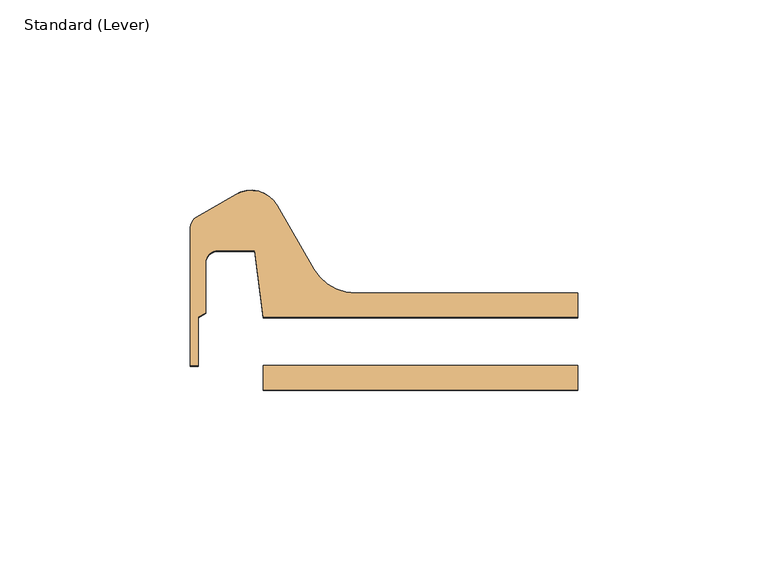
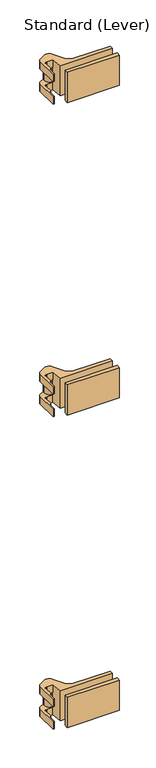
"""IFC4 building model written with IfcOpenShell, lengths in millimetres: door geometry, Standard (Lever)."""

from ifc_helpers import new_model, si_unit, frame, origin, place, context, project, spatial, polyline, circle_curve, outline, extrude, source, transform, mapped, element, save
from ifc_brep_helpers import plane_surface, cylinder_surface, revolved_surface, advanced_brep


def standard_lever_2ae37495(model_context):
    return source(origin(), model_context, "Body", "SolidModel", [
        advanced_brep(
        [(-440.3328125, 23.0182831, 1354.6666667), (-438.1500584, 5.55625, 1354.6666667), (-355.6, 5.55625, 1354.6666667), (-355.6, 11.90625, 1354.6666667), (-413.828963, 11.90625, 1354.6666667), (-424.8274856, 18.25625, 1354.6666667), (-434.4509234, 34.9245331, 1354.6666667), (-445.29375, 37.8298597, 1354.6666667), (-455.6125, 31.8723266, 1354.6666667), (-457.2, 29.122696, 1354.6666667), (-457.2, -7.1442169, 1354.6666667), (-455.19975, -7.1442169, 1354.6666667), (-455.19975, 5.5557831, 1354.6666667), (-453.1995, 6.710628, 1354.6666667), (-453.1995, 19.8432831, 1354.6666667), (-450.0245, 23.0182831, 1354.6666667), (-440.3328125, 23.0182831, 1341.9666667), (-450.0245, 23.0182831, 1341.9666667), (-453.1995, 19.8432831, 1341.9666667), (-453.1995, 6.710628, 1341.9666667), (-455.19975, 5.5557831, 1341.9666667), (-455.19975, -7.1442169, 1341.9666667), (-457.2, -7.1442169, 1341.9666667), (-457.2, 29.122696, 1341.9666667), (-455.6125, 31.8723266, 1341.9666667), (-445.29375, 37.8298597, 1341.9666667), (-434.4509234, 34.9245331, 1341.9666667), (-440.3404743, 23.0795774, 1340.3791667), (-440.3404743, 23.0795774, 1318.1541667), (-440.3404743, 23.0795774, 1316.5666667), (-440.3328125, 23.0182831, 1303.8666667), (-438.1500584, 5.55625, 1303.8666667), (-355.6, 5.55625, 1303.8666667), (-355.6, 11.90625, 1303.8666667), (-413.828963, 11.90625, 1303.8666667), (-413.828963, 11.90625, 1316.5666667), (-413.828963, 11.90625, 1341.9666667), (-424.8274856, 18.25625, 1341.9666667), (-424.8274856, 18.25625, 1316.5666667), (-424.8274856, 18.25625, 1303.8666667), (-434.4509234, 34.9245331, 1303.8666667), (-434.4509234, 34.9245331, 1316.5666667), (-434.4509234, 34.9245331, 1318.1541667), (-434.4509234, 34.9245331, 1340.3791667), (-433.3875, 30.9557831, 1340.3791667), (-433.3875, 30.9557831, 1318.1541667), (-445.29375, 37.8298597, 1316.5666667), (-455.6125, 31.8723266, 1316.5666667), (-457.2, 29.122696, 1316.5666667), (-457.2, -7.1442169, 1316.5666667), (-455.19975, -7.1442169, 1316.5666667), (-455.19975, 5.5557831, 1316.5666667), (-453.1995, 6.710628, 1316.5666667), (-453.1995, 19.8432831, 1316.5666667), (-450.0245, 23.0182831, 1316.5666667), (-450.0245, 23.0182831, 1303.8666667), (-453.1995, 19.8432831, 1303.8666667), (-453.1995, 6.710628, 1303.8666667), (-455.19975, 5.5557831, 1303.8666667), (-455.19975, -7.1442169, 1303.8666667), (-457.2, -7.1442169, 1303.8666667), (-457.2, 29.122696, 1303.8666667), (-455.6125, 31.8723266, 1303.8666667), (-445.29375, 37.8298597, 1303.8666667), (-449.2625, 30.9557831, 1340.3791667), (-444.5, 30.9557831, 1340.3791667), (-438.15, 30.9557831, 1340.3791667), (-449.2625, 30.9557831, 1318.1541667), (-444.5, 30.9557831, 1318.1541667), (-438.15, 30.9557831, 1318.1541667)],
        [
            (0, 1),
            (1, 2),
            (2, 3),
            (3, 4),
            (4, 5, circle_curve(frame((-413.828963, 24.60625, 1354.6666667), z_axis=(0.0, 0.0, -1.0), x_axis=(0.0, -1.0, 0.0)), 12.7)),
            (5, 6),
            (6, 7, circle_curve(frame((-441.325, 30.9557831, 1354.6666667), z_axis=(0.0, 0.0, 1.0), x_axis=(0.0, -1.0, 0.0)), 7.9375)),
            (7, 8),
            (8, 9, circle_curve(frame((-454.025, 29.122696, 1354.6666667), z_axis=(0.0, 0.0, 1.0), x_axis=(-0.5000000000000575, 0.8660254037844055, 0.0)), 3.175)),
            (9, 10),
            (10, 11),
            (11, 12),
            (12, 13),
            (13, 14),
            (14, 15, circle_curve(frame((-450.0245, 19.8432831, 1354.6666667), z_axis=(0.0, 0.0, -1.0), x_axis=(-1.0, 0.0, 0.0)), 3.175)),
            (15, 0),
            (16, 17),
            (17, 18, circle_curve(frame((-450.0245, 19.8432831, 1341.9666667), z_axis=(0.0, 0.0, 1.0), x_axis=(-1.0, 0.0, 0.0)), 3.175)),
            (18, 19),
            (19, 20),
            (20, 21),
            (21, 22),
            (22, 23),
            (23, 24, circle_curve(frame((-454.025, 29.122696, 1341.9666667), z_axis=(0.0, 0.0, -1.0), x_axis=(-0.5000000000000575, 0.8660254037844055, 0.0)), 3.175)),
            (24, 25),
            (25, 26, circle_curve(frame((-441.325, 30.9557831, 1341.9666667), z_axis=(0.0, 0.0, -1.0), x_axis=(0.0, -1.0, 0.0)), 7.9375)),
            (26, 16, circle_curve(frame((-441.325, 30.9557831, 1341.9666667), z_axis=(0.0, 0.0, -1.0), x_axis=(0.0, -1.0, 0.0)), 7.9375)),
            (7, 25),
            (24, 8),
            (23, 9),
            (22, 10),
            (21, 11),
            (20, 12),
            (19, 13),
            (18, 14),
            (17, 15),
            (16, 0),
            (16, 27),
            (27, 28),
            (28, 29),
            (29, 30),
            (30, 31),
            (31, 1),
            (31, 32),
            (32, 2),
            (32, 33),
            (33, 3),
            (33, 34),
            (34, 35),
            (35, 36),
            (36, 4),
            (36, 37, circle_curve(frame((-413.828963, 24.60625, 1341.9666667), z_axis=(0.0, 0.0, -1.0), x_axis=(0.0, -1.0, 0.0)), 12.7)),
            (37, 5),
            (37, 38),
            (38, 39),
            (39, 40),
            (40, 41),
            (41, 42),
            (42, 43),
            (43, 26),
            (26, 6),
            (35, 38, circle_curve(frame((-413.828963, 24.60625, 1316.5666667), z_axis=(0.0, 0.0, -1.0), x_axis=(0.0, -1.0, 0.0)), 12.7)),
            (43, 44, circle_curve(frame((-441.325, 30.9557831, 1340.3791667), z_axis=(0.0, 0.0, -1.0), x_axis=(0.0, -1.0, 0.0)), 7.9375)),
            (44, 27, circle_curve(frame((-441.325, 30.9557831, 1340.3791667), z_axis=(0.0, 0.0, -1.0), x_axis=(0.0, -1.0, 0.0)), 7.9375)),
            (41, 29, circle_curve(frame((-441.325, 30.9557831, 1316.5666667), z_axis=(0.0, 0.0, -1.0), x_axis=(0.0, -1.0, 0.0)), 7.9375)),
            (28, 45, circle_curve(frame((-441.325, 30.9557831, 1318.1541667), z_axis=(0.0, 0.0, 1.0), x_axis=(0.0, -1.0, 0.0)), 7.9375)),
            (45, 42, circle_curve(frame((-441.325, 30.9557831, 1318.1541667), z_axis=(0.0, 0.0, 1.0), x_axis=(0.0, -1.0, 0.0)), 7.9375)),
            (41, 46, circle_curve(frame((-441.325, 30.9557831, 1316.5666667), z_axis=(0.0, 0.0, 1.0), x_axis=(0.0, -1.0, 0.0)), 7.9375)),
            (46, 47),
            (47, 48, circle_curve(frame((-454.025, 29.122696, 1316.5666667), z_axis=(0.0, 0.0, 1.0), x_axis=(-0.5000000000000575, 0.8660254037844055, 0.0)), 3.175)),
            (48, 49),
            (49, 50),
            (50, 51),
            (51, 52),
            (52, 53),
            (53, 54, circle_curve(frame((-450.0245, 19.8432831, 1316.5666667), z_axis=(0.0, 0.0, -1.0), x_axis=(-1.0, 0.0, 0.0)), 3.175)),
            (54, 29),
            (30, 55),
            (55, 56, circle_curve(frame((-450.0245, 19.8432831, 1303.8666667), z_axis=(0.0, 0.0, 1.0), x_axis=(-1.0, 0.0, 0.0)), 3.175)),
            (56, 57),
            (57, 58),
            (58, 59),
            (59, 60),
            (60, 61),
            (61, 62, circle_curve(frame((-454.025, 29.122696, 1303.8666667), z_axis=(0.0, 0.0, -1.0), x_axis=(-0.5000000000000575, 0.8660254037844055, 0.0)), 3.175)),
            (62, 63),
            (63, 40, circle_curve(frame((-441.325, 30.9557831, 1303.8666667), z_axis=(0.0, 0.0, -1.0), x_axis=(0.0, -1.0, 0.0)), 7.9375)),
            (39, 34, circle_curve(frame((-413.828963, 24.60625, 1303.8666667), z_axis=(0.0, 0.0, 1.0), x_axis=(0.0, -1.0, 0.0)), 12.7)),
            (63, 46),
            (62, 47),
            (61, 48),
            (60, 49),
            (59, 50),
            (58, 51),
            (57, 52),
            (56, 53),
            (55, 54),
            (64, 27, circle_curve(frame((-441.325, 30.9557831, 1340.3791667), z_axis=(0.0, 0.0, 1.0), x_axis=(1.0, 0.0, 0.0)), 7.9375)),
            (43, 64, circle_curve(frame((-441.325, 30.9557831, 1340.3791667), z_axis=(0.0, 0.0, 1.0), x_axis=(1.0, 0.0, 0.0)), 7.9375)),
            (65, 66, circle_curve(frame((-441.325, 30.9557831, 1340.3791667), z_axis=(0.0, 0.0, -1.0), x_axis=(1.0, 0.0, 0.0)), 3.175)),
            (66, 65, circle_curve(frame((-441.325, 30.9557831, 1340.3791667), z_axis=(0.0, 0.0, -1.0), x_axis=(1.0, 0.0, 0.0)), 3.175)),
            (28, 67, circle_curve(frame((-441.325, 30.9557831, 1318.1541667), z_axis=(0.0, 0.0, -1.0), x_axis=(1.0, 0.0, 0.0)), 7.9375)),
            (67, 42, circle_curve(frame((-441.325, 30.9557831, 1318.1541667), z_axis=(0.0, 0.0, -1.0), x_axis=(1.0, 0.0, 0.0)), 7.9375)),
            (68, 69, circle_curve(frame((-441.325, 30.9557831, 1318.1541667), z_axis=(0.0, 0.0, 1.0), x_axis=(1.0, 0.0, 0.0)), 3.175)),
            (69, 68, circle_curve(frame((-441.325, 30.9557831, 1318.1541667), z_axis=(0.0, 0.0, 1.0), x_axis=(1.0, 0.0, 0.0)), 3.175)),
            (65, 68),
            (69, 66),
            (64, 67),
        ],
        [
            plane_surface(frame((-440.3328125, 23.0182831, 1354.6666667), z_axis=(0.0, 0.0, 1.0), x_axis=(0.12403473458190235, -0.9922778767145809, 0.0))),
            plane_surface(frame((-440.3328125, 23.0182831, 1341.9666667), z_axis=(0.0, 0.0, -1.0), x_axis=(-0.12403473458190235, 0.9922778767145809, 0.0))),
            plane_surface(frame((-445.29375, 37.8298597, 1354.6666667), z_axis=(-0.5000000000001321, 0.8660254037843624, 0.0), x_axis=(0.0, 0.0, -1.0))),
            cylinder_surface(frame((-454.025, 29.122696, 1341.9666667), z_axis=(0.0, 0.0, 1.0), x_axis=(-0.5000000000000575, 0.8660254037844055, 0.0)), 3.175),
            plane_surface(frame((-457.2, 29.122696, 1354.6666667), z_axis=(-1.0, 0.0, 0.0), x_axis=(0.0, 0.0, -1.0))),
            plane_surface(frame((-457.2, -7.1442169, 1354.6666667), z_axis=(0.0, -1.0, 0.0), x_axis=(0.0, 0.0, -1.0))),
            plane_surface(frame((-455.19975, -7.1442169, 1354.6666667), z_axis=(1.0, 0.0, 0.0), x_axis=(0.0, 0.0, -1.0))),
            plane_surface(frame((-455.19975, 5.5557831, 1354.6666667), z_axis=(0.4999999999997088, -0.8660254037846068, 0.0), x_axis=(0.0, 0.0, -1.0))),
            plane_surface(frame((-453.1995, 6.710628, 1354.6666667), z_axis=(1.0, 0.0, 0.0), x_axis=(0.0, 0.0, -1.0))),
            revolved_surface(polyline([(-453.1995, 19.8432831, 1341.9666667), (-453.1995, 19.8432831, 1354.6666667)]), (-450.0245, 19.8432831, 1341.9666667), (0.0, 0.0, -1.0)),
            plane_surface(frame((-450.0245, 23.0182831, 1354.6666667), z_axis=(0.0, -1.0, 0.0), x_axis=(0.0, 0.0, -1.0))),
            plane_surface(frame((-440.3328125, 23.0182831, 1354.6666667), z_axis=(-0.9922778767145809, -0.12403473458190235, 0.0), x_axis=(0.0, 0.0, -1.0))),
            plane_surface(frame((-438.1500584, 5.55625, 1354.6666667), z_axis=(0.0, -1.0, 0.0), x_axis=(0.0, 0.0, -1.0))),
            plane_surface(frame((-355.6, 5.55625, 1354.6666667), z_axis=(1.0, 0.0, 0.0), x_axis=(0.0, 0.0, -1.0))),
            plane_surface(frame((-355.6, 11.90625, 1354.6666667), z_axis=(0.0, 1.0, 0.0), x_axis=(0.0, 0.0, -1.0))),
            revolved_surface(polyline([(-413.828963, 11.90625, 1341.9666667), (-413.828963, 11.90625, 1354.6666667)]), (-413.828963, 24.60625, 1341.9666667), (0.0, 0.0, -1.0)),
            plane_surface(frame((-424.8274856, 18.25625, 1354.6666667), z_axis=(0.8660254037845987, 0.49999999999972294, 0.0), x_axis=(0.0, 0.0, -1.0))),
            cylinder_surface(frame((-441.325, 30.9557831, 1341.9666667), z_axis=(0.0, 0.0, 1.0), x_axis=(0.0, -1.0, 0.0)), 7.9375),
            revolved_surface(polyline([(-413.828963, 11.90625, 1316.5666667), (-413.828963, 11.90625, 1341.9666667)]), (-413.828963, 24.60625, 1316.5666667), (0.0, 0.0, -1.0)),
            revolved_surface(polyline([(-441.325, 23.0182831, 1340.3791667), (-441.325, 23.0182831, 1341.9666667)]), (-441.325, 30.9557831, 1316.5666667), (0.0, 0.0, -1.0)),
            revolved_surface(polyline([(-441.325, 23.0182831, 1316.5666667), (-441.325, 23.0182831, 1318.1541667)]), (-441.325, 30.9557831, 1316.5666667), (0.0, 0.0, -1.0)),
            plane_surface(frame((-440.3404743, 23.0795774, 1316.5666667), z_axis=(0.0, 0.0, 1.0), x_axis=(0.1240347345819024, -0.9922778767145809, 0.0))),
            plane_surface(frame((-440.3404743, 23.0795774, 1303.8666667), z_axis=(0.0, 0.0, -1.0), x_axis=(-0.1240347345819024, 0.9922778767145809, 0.0))),
            cylinder_surface(frame((-441.325, 30.9557831, 1303.8666667), z_axis=(0.0, 0.0, 1.0), x_axis=(0.0, -1.0, 0.0)), 7.9375),
            plane_surface(frame((-445.29375, 37.8298597, 1316.5666667), z_axis=(-0.500000000000132, 0.8660254037843624, 0.0), x_axis=(0.0, 0.0, -1.0))),
            cylinder_surface(frame((-454.025, 29.122696, 1303.8666667), z_axis=(0.0, 0.0, 1.0), x_axis=(-0.5000000000000575, 0.8660254037844055, 0.0)), 3.175),
            plane_surface(frame((-457.2, 29.122696, 1316.5666667), z_axis=(-1.0, 0.0, 0.0), x_axis=(0.0, 0.0, -1.0))),
            plane_surface(frame((-457.2, -7.1442169, 1316.5666667), z_axis=(0.0, -1.0, 0.0), x_axis=(0.0, 0.0, -1.0))),
            plane_surface(frame((-455.19975, -7.1442169, 1316.5666667), z_axis=(1.0, 0.0, 0.0), x_axis=(0.0, 0.0, -1.0))),
            plane_surface(frame((-455.19975, 5.5557831, 1316.5666667), z_axis=(0.4999999999997088, -0.8660254037846068, 0.0), x_axis=(0.0, 0.0, -1.0))),
            plane_surface(frame((-453.1995, 6.710628, 1316.5666667), z_axis=(1.0, 0.0, 0.0), x_axis=(0.0, 0.0, -1.0))),
            revolved_surface(polyline([(-453.1995, 19.8432831, 1303.8666667), (-453.1995, 19.8432831, 1316.5666667)]), (-450.0245, 19.8432831, 1303.8666667), (0.0, 0.0, -1.0)),
            plane_surface(frame((-450.0245, 23.0182831, 1316.5666667), z_axis=(0.0, -1.0, 0.0), x_axis=(0.0, 0.0, -1.0))),
            revolved_surface(polyline([(-413.828963, 11.90625, 1303.8666667), (-413.828963, 11.90625, 1316.5666667)]), (-413.828963, 24.60625, 1303.8666667), (0.0, 0.0, -1.0)),
            plane_surface(frame((-438.15, 30.9557831, 1340.3791667), z_axis=(0.0, 0.0, 1.0), x_axis=(0.0, -1.0, 0.0))),
            plane_surface(frame((-438.15, 30.9557831, 1318.1541667), z_axis=(0.0, 0.0, -1.0), x_axis=(0.0, 1.0, 0.0))),
            revolved_surface(polyline([(-438.15, 30.9557831, 1318.1541667), (-438.15, 30.9557831, 1340.3791667)]), (-441.325, 30.9557831, 1318.1541667), (0.0, 0.0, -1.0)),
            cylinder_surface(frame((-441.325, 30.9557831, 1303.8666667), z_axis=(0.0, 0.0, 1.0), x_axis=(1.0, 0.0, 0.0)), 7.9375),
        ],
        [
            (0, [[1, 2, 3, 4, 5, 6, 7, 8, 9, 10, 11, 12, 13, 14, 15, 16]]),
            (1, [[17, 18, 19, 20, 21, 22, 23, 24, 25, 26, 27]]),
            (2, [[-8, 28, -25, 29]]),
            (3, [[-9, -29, -24, 30]]),
            (4, [[-10, -30, -23, 31]]),
            (5, [[-11, -31, -22, 32]]),
            (6, [[-12, -32, -21, 33]]),
            (7, [[-13, -33, -20, 34]]),
            (8, [[-14, -34, -19, 35]]),
            (9, [[-15, -35, -18, 36]]),
            (10, [[-16, -36, -17, 37]]),
            (11, [[-1, -37, 38, 39, 40, 41, 42, 43]]),
            (12, [[-2, -43, 44, 45]]),
            (13, [[-3, -45, 46, 47]]),
            (14, [[-4, -47, 48, 49, 50, 51]]),
            (15, [[-5, -51, 52, 53]]),
            (16, [[-6, -53, 54, 55, 56, 57, 58, 59, 60, 61]]),
            (17, [[-7, -61, -26, -28]]),
            (18, [[-50, 62, -54, -52]]),
            (19, [[-27, -60, 63, 64, -38]]),
            (20, [[65, -40, 66, 67, -58]]),
            (21, [[68, 69, 70, 71, 72, 73, 74, 75, 76, 77, -65]]),
            (22, [[78, 79, 80, 81, 82, 83, 84, 85, 86, 87, -56, 88, -48, -46, -44, -42]]),
            (23, [[-68, -57, -87, 89]]),
            (24, [[-69, -89, -86, 90]]),
            (25, [[-70, -90, -85, 91]]),
            (26, [[-71, -91, -84, 92]]),
            (27, [[-72, -92, -83, 93]]),
            (28, [[-73, -93, -82, 94]]),
            (29, [[-74, -94, -81, 95]]),
            (30, [[-75, -95, -80, 96]]),
            (31, [[-76, -96, -79, 97]]),
            (32, [[-77, -97, -78, -41]]),
            (33, [[-88, -55, -62, -49]]),
            (34, [[98, -64, -63, 99], [100, 101]]),
            (35, [[102, 103, -67, -66], [104, 105]]),
            (36, [[-100, 106, -105, 107]]),
            (36, [[-101, -107, -104, -106]]),
            (37, [[108, -102, -39, -98]]),
            (37, [[-108, -99, -59, -103]]),
        ],
    ),
        extrude(outline(polyline([(-355.6, -13.49375), (-438.15, -13.49375), (-438.15, -7.14375), (-355.6, -7.14375), (-355.6, -13.49375)])), frame((0.0, 0.0, 1303.8666667), z_axis=(0.0, 0.0, 1.0), x_axis=(1.0, 0.0, 0.0)), (0.0, 0.0, 1.0), 50.8),
        advanced_brep(
        [(-440.3328125, 23.0182831, 829.7333333), (-438.1500584, 5.55625, 829.7333333), (-355.6, 5.55625, 829.7333333), (-355.6, 11.90625, 829.7333333), (-413.828963, 11.90625, 829.7333333), (-424.8274856, 18.25625, 829.7333333), (-434.4509234, 34.9245331, 829.7333333), (-445.29375, 37.8298597, 829.7333333), (-455.6125, 31.8723266, 829.7333333), (-457.2, 29.122696, 829.7333333), (-457.2, -7.1442169, 829.7333333), (-455.19975, -7.1442169, 829.7333333), (-455.19975, 5.5557831, 829.7333333), (-453.1995, 6.710628, 829.7333333), (-453.1995, 19.8432831, 829.7333333), (-450.0245, 23.0182831, 829.7333333), (-440.3328125, 23.0182831, 817.0333333), (-450.0245, 23.0182831, 817.0333333), (-453.1995, 19.8432831, 817.0333333), (-453.1995, 6.710628, 817.0333333), (-455.19975, 5.5557831, 817.0333333), (-455.19975, -7.1442169, 817.0333333), (-457.2, -7.1442169, 817.0333333), (-457.2, 29.122696, 817.0333333), (-455.6125, 31.8723266, 817.0333333), (-445.29375, 37.8298597, 817.0333333), (-434.4509234, 34.9245331, 817.0333333), (-440.3404743, 23.0795774, 815.4458333), (-440.3404743, 23.0795774, 793.2208333), (-440.3404743, 23.0795774, 791.6333333), (-440.3328125, 23.0182831, 778.9333333), (-438.1500584, 5.55625, 778.9333333), (-355.6, 5.55625, 778.9333333), (-355.6, 11.90625, 778.9333333), (-413.828963, 11.90625, 778.9333333), (-413.828963, 11.90625, 791.6333333), (-413.828963, 11.90625, 817.0333333), (-424.8274856, 18.25625, 817.0333333), (-424.8274856, 18.25625, 791.6333333), (-424.8274856, 18.25625, 778.9333333), (-434.4509234, 34.9245331, 778.9333333), (-434.4509234, 34.9245331, 791.6333333), (-434.4509234, 34.9245331, 793.2208333), (-434.4509234, 34.9245331, 815.4458333), (-433.3875, 30.9557831, 815.4458333), (-433.3875, 30.9557831, 793.2208333), (-445.29375, 37.8298597, 791.6333333), (-455.6125, 31.8723266, 791.6333333), (-457.2, 29.122696, 791.6333333), (-457.2, -7.1442169, 791.6333333), (-455.19975, -7.1442169, 791.6333333), (-455.19975, 5.5557831, 791.6333333), (-453.1995, 6.710628, 791.6333333), (-453.1995, 19.8432831, 791.6333333), (-450.0245, 23.0182831, 791.6333333), (-450.0245, 23.0182831, 778.9333333), (-453.1995, 19.8432831, 778.9333333), (-453.1995, 6.710628, 778.9333333), (-455.19975, 5.5557831, 778.9333333), (-455.19975, -7.1442169, 778.9333333), (-457.2, -7.1442169, 778.9333333), (-457.2, 29.122696, 778.9333333), (-455.6125, 31.8723266, 778.9333333), (-445.29375, 37.8298597, 778.9333333), (-449.2625, 30.9557831, 815.4458333), (-444.5, 30.9557831, 815.4458333), (-438.15, 30.9557831, 815.4458333), (-449.2625, 30.9557831, 793.2208333), (-444.5, 30.9557831, 793.2208333), (-438.15, 30.9557831, 793.2208333)],
        [
            (0, 1),
            (1, 2),
            (2, 3),
            (3, 4),
            (4, 5, circle_curve(frame((-413.828963, 24.60625, 829.7333333), z_axis=(0.0, 0.0, -1.0), x_axis=(0.0, -1.0, 0.0)), 12.7)),
            (5, 6),
            (6, 7, circle_curve(frame((-441.325, 30.9557831, 829.7333333), z_axis=(0.0, 0.0, 1.0), x_axis=(0.0, -1.0, 0.0)), 7.9375)),
            (7, 8),
            (8, 9, circle_curve(frame((-454.025, 29.122696, 829.7333333), z_axis=(0.0, 0.0, 1.0), x_axis=(-0.5000000000000575, 0.8660254037844055, 0.0)), 3.175)),
            (9, 10),
            (10, 11),
            (11, 12),
            (12, 13),
            (13, 14),
            (14, 15, circle_curve(frame((-450.0245, 19.8432831, 829.7333333), z_axis=(0.0, 0.0, -1.0), x_axis=(-1.0, 0.0, 0.0)), 3.175)),
            (15, 0),
            (16, 17),
            (17, 18, circle_curve(frame((-450.0245, 19.8432831, 817.0333333), z_axis=(0.0, 0.0, 1.0), x_axis=(-1.0, 0.0, 0.0)), 3.175)),
            (18, 19),
            (19, 20),
            (20, 21),
            (21, 22),
            (22, 23),
            (23, 24, circle_curve(frame((-454.025, 29.122696, 817.0333333), z_axis=(0.0, 0.0, -1.0), x_axis=(-0.5000000000000575, 0.8660254037844055, 0.0)), 3.175)),
            (24, 25),
            (25, 26, circle_curve(frame((-441.325, 30.9557831, 817.0333333), z_axis=(0.0, 0.0, -1.0), x_axis=(0.0, -1.0, 0.0)), 7.9375)),
            (26, 16, circle_curve(frame((-441.325, 30.9557831, 817.0333333), z_axis=(0.0, 0.0, -1.0), x_axis=(0.0, -1.0, 0.0)), 7.9375)),
            (7, 25),
            (24, 8),
            (23, 9),
            (22, 10),
            (21, 11),
            (20, 12),
            (19, 13),
            (18, 14),
            (17, 15),
            (16, 0),
            (16, 27),
            (27, 28),
            (28, 29),
            (29, 30),
            (30, 31),
            (31, 1),
            (31, 32),
            (32, 2),
            (32, 33),
            (33, 3),
            (33, 34),
            (34, 35),
            (35, 36),
            (36, 4),
            (36, 37, circle_curve(frame((-413.828963, 24.60625, 817.0333333), z_axis=(0.0, 0.0, -1.0), x_axis=(0.0, -1.0, 0.0)), 12.7)),
            (37, 5),
            (37, 38),
            (38, 39),
            (39, 40),
            (40, 41),
            (41, 42),
            (42, 43),
            (43, 26),
            (26, 6),
            (35, 38, circle_curve(frame((-413.828963, 24.60625, 791.6333333), z_axis=(0.0, 0.0, -1.0), x_axis=(0.0, -1.0, 0.0)), 12.7)),
            (43, 44, circle_curve(frame((-441.325, 30.9557831, 815.4458333), z_axis=(0.0, 0.0, -1.0), x_axis=(0.0, -1.0, 0.0)), 7.9375)),
            (44, 27, circle_curve(frame((-441.325, 30.9557831, 815.4458333), z_axis=(0.0, 0.0, -1.0), x_axis=(0.0, -1.0, 0.0)), 7.9375)),
            (41, 29, circle_curve(frame((-441.325, 30.9557831, 791.6333333), z_axis=(0.0, 0.0, -1.0), x_axis=(0.0, -1.0, 0.0)), 7.9375)),
            (28, 45, circle_curve(frame((-441.325, 30.9557831, 793.2208333), z_axis=(0.0, 0.0, 1.0), x_axis=(0.0, -1.0, 0.0)), 7.9375)),
            (45, 42, circle_curve(frame((-441.325, 30.9557831, 793.2208333), z_axis=(0.0, 0.0, 1.0), x_axis=(0.0, -1.0, 0.0)), 7.9375)),
            (41, 46, circle_curve(frame((-441.325, 30.9557831, 791.6333333), z_axis=(0.0, 0.0, 1.0), x_axis=(0.0, -1.0, 0.0)), 7.9375)),
            (46, 47),
            (47, 48, circle_curve(frame((-454.025, 29.122696, 791.6333333), z_axis=(0.0, 0.0, 1.0), x_axis=(-0.5000000000000575, 0.8660254037844055, 0.0)), 3.175)),
            (48, 49),
            (49, 50),
            (50, 51),
            (51, 52),
            (52, 53),
            (53, 54, circle_curve(frame((-450.0245, 19.8432831, 791.6333333), z_axis=(0.0, 0.0, -1.0), x_axis=(-1.0, 0.0, 0.0)), 3.175)),
            (54, 29),
            (30, 55),
            (55, 56, circle_curve(frame((-450.0245, 19.8432831, 778.9333333), z_axis=(0.0, 0.0, 1.0), x_axis=(-1.0, 0.0, 0.0)), 3.175)),
            (56, 57),
            (57, 58),
            (58, 59),
            (59, 60),
            (60, 61),
            (61, 62, circle_curve(frame((-454.025, 29.122696, 778.9333333), z_axis=(0.0, 0.0, -1.0), x_axis=(-0.5000000000000575, 0.8660254037844055, 0.0)), 3.175)),
            (62, 63),
            (63, 40, circle_curve(frame((-441.325, 30.9557831, 778.9333333), z_axis=(0.0, 0.0, -1.0), x_axis=(0.0, -1.0, 0.0)), 7.9375)),
            (39, 34, circle_curve(frame((-413.828963, 24.60625, 778.9333333), z_axis=(0.0, 0.0, 1.0), x_axis=(0.0, -1.0, 0.0)), 12.7)),
            (63, 46),
            (62, 47),
            (61, 48),
            (60, 49),
            (59, 50),
            (58, 51),
            (57, 52),
            (56, 53),
            (55, 54),
            (64, 27, circle_curve(frame((-441.325, 30.9557831, 815.4458333), z_axis=(0.0, 0.0, 1.0), x_axis=(1.0, 0.0, 0.0)), 7.9375)),
            (43, 64, circle_curve(frame((-441.325, 30.9557831, 815.4458333), z_axis=(0.0, 0.0, 1.0), x_axis=(1.0, 0.0, 0.0)), 7.9375)),
            (65, 66, circle_curve(frame((-441.325, 30.9557831, 815.4458333), z_axis=(0.0, 0.0, -1.0), x_axis=(1.0, 0.0, 0.0)), 3.175)),
            (66, 65, circle_curve(frame((-441.325, 30.9557831, 815.4458333), z_axis=(0.0, 0.0, -1.0), x_axis=(1.0, 0.0, 0.0)), 3.175)),
            (28, 67, circle_curve(frame((-441.325, 30.9557831, 793.2208333), z_axis=(0.0, 0.0, -1.0), x_axis=(1.0, 0.0, 0.0)), 7.9375)),
            (67, 42, circle_curve(frame((-441.325, 30.9557831, 793.2208333), z_axis=(0.0, 0.0, -1.0), x_axis=(1.0, 0.0, 0.0)), 7.9375)),
            (68, 69, circle_curve(frame((-441.325, 30.9557831, 793.2208333), z_axis=(0.0, 0.0, 1.0), x_axis=(1.0, 0.0, 0.0)), 3.175)),
            (69, 68, circle_curve(frame((-441.325, 30.9557831, 793.2208333), z_axis=(0.0, 0.0, 1.0), x_axis=(1.0, 0.0, 0.0)), 3.175)),
            (65, 68),
            (69, 66),
            (64, 67),
        ],
        [
            plane_surface(frame((-440.3328125, 23.0182831, 829.7333333), z_axis=(0.0, 0.0, 1.0), x_axis=(0.12403473458190235, -0.9922778767145809, 0.0))),
            plane_surface(frame((-440.3328125, 23.0182831, 817.0333333), z_axis=(0.0, 0.0, -1.0), x_axis=(-0.12403473458190235, 0.9922778767145809, 0.0))),
            plane_surface(frame((-445.29375, 37.8298597, 829.7333333), z_axis=(-0.5000000000001321, 0.8660254037843624, 0.0), x_axis=(0.0, 0.0, -1.0))),
            cylinder_surface(frame((-454.025, 29.122696, 817.0333333), z_axis=(0.0, 0.0, 1.0), x_axis=(-0.5000000000000575, 0.8660254037844055, 0.0)), 3.175),
            plane_surface(frame((-457.2, 29.122696, 829.7333333), z_axis=(-1.0, 0.0, 0.0), x_axis=(0.0, 0.0, -1.0))),
            plane_surface(frame((-457.2, -7.1442169, 829.7333333), z_axis=(0.0, -1.0, 0.0), x_axis=(0.0, 0.0, -1.0))),
            plane_surface(frame((-455.19975, -7.1442169, 829.7333333), z_axis=(1.0, 0.0, 0.0), x_axis=(0.0, 0.0, -1.0))),
            plane_surface(frame((-455.19975, 5.5557831, 829.7333333), z_axis=(0.4999999999997088, -0.8660254037846068, 0.0), x_axis=(0.0, 0.0, -1.0))),
            plane_surface(frame((-453.1995, 6.710628, 829.7333333), z_axis=(1.0, 0.0, 0.0), x_axis=(0.0, 0.0, -1.0))),
            revolved_surface(polyline([(-453.1995, 19.8432831, 817.0333333), (-453.1995, 19.8432831, 829.7333333)]), (-450.0245, 19.8432831, 817.0333333), (0.0, 0.0, -1.0)),
            plane_surface(frame((-450.0245, 23.0182831, 829.7333333), z_axis=(0.0, -1.0, 0.0), x_axis=(0.0, 0.0, -1.0))),
            plane_surface(frame((-440.3328125, 23.0182831, 829.7333333), z_axis=(-0.9922778767145809, -0.12403473458190235, 0.0), x_axis=(0.0, 0.0, -1.0))),
            plane_surface(frame((-438.1500584, 5.55625, 829.7333333), z_axis=(0.0, -1.0, 0.0), x_axis=(0.0, 0.0, -1.0))),
            plane_surface(frame((-355.6, 5.55625, 829.7333333), z_axis=(1.0, 0.0, 0.0), x_axis=(0.0, 0.0, -1.0))),
            plane_surface(frame((-355.6, 11.90625, 829.7333333), z_axis=(0.0, 1.0, 0.0), x_axis=(0.0, 0.0, -1.0))),
            revolved_surface(polyline([(-413.828963, 11.90625, 817.0333333), (-413.828963, 11.90625, 829.7333333)]), (-413.828963, 24.60625, 817.0333333), (0.0, 0.0, -1.0)),
            plane_surface(frame((-424.8274856, 18.25625, 829.7333333), z_axis=(0.8660254037845987, 0.49999999999972294, 0.0), x_axis=(0.0, 0.0, -1.0))),
            cylinder_surface(frame((-441.325, 30.9557831, 817.0333333), z_axis=(0.0, 0.0, 1.0), x_axis=(0.0, -1.0, 0.0)), 7.9375),
            revolved_surface(polyline([(-413.828963, 11.90625, 791.6333333), (-413.828963, 11.90625, 817.0333333)]), (-413.828963, 24.60625, 791.6333333), (0.0, 0.0, -1.0)),
            revolved_surface(polyline([(-441.325, 23.0182831, 815.4458333), (-441.325, 23.0182831, 817.0333333)]), (-441.325, 30.9557831, 791.6333333), (0.0, 0.0, -1.0)),
            revolved_surface(polyline([(-441.325, 23.0182831, 791.6333333), (-441.325, 23.0182831, 793.2208333)]), (-441.325, 30.9557831, 791.6333333), (0.0, 0.0, -1.0)),
            plane_surface(frame((-440.3404743, 23.0795774, 791.6333333), z_axis=(0.0, 0.0, 1.0), x_axis=(0.1240347345819024, -0.9922778767145809, 0.0))),
            plane_surface(frame((-440.3404743, 23.0795774, 778.9333333), z_axis=(0.0, 0.0, -1.0), x_axis=(-0.1240347345819024, 0.9922778767145809, 0.0))),
            cylinder_surface(frame((-441.325, 30.9557831, 778.9333333), z_axis=(0.0, 0.0, 1.0), x_axis=(0.0, -1.0, 0.0)), 7.9375),
            plane_surface(frame((-445.29375, 37.8298597, 791.6333333), z_axis=(-0.500000000000132, 0.8660254037843624, 0.0), x_axis=(0.0, 0.0, -1.0))),
            cylinder_surface(frame((-454.025, 29.122696, 778.9333333), z_axis=(0.0, 0.0, 1.0), x_axis=(-0.5000000000000575, 0.8660254037844055, 0.0)), 3.175),
            plane_surface(frame((-457.2, 29.122696, 791.6333333), z_axis=(-1.0, 0.0, 0.0), x_axis=(0.0, 0.0, -1.0))),
            plane_surface(frame((-457.2, -7.1442169, 791.6333333), z_axis=(0.0, -1.0, 0.0), x_axis=(0.0, 0.0, -1.0))),
            plane_surface(frame((-455.19975, -7.1442169, 791.6333333), z_axis=(1.0, 0.0, 0.0), x_axis=(0.0, 0.0, -1.0))),
            plane_surface(frame((-455.19975, 5.5557831, 791.6333333), z_axis=(0.4999999999997088, -0.8660254037846068, 0.0), x_axis=(0.0, 0.0, -1.0))),
            plane_surface(frame((-453.1995, 6.710628, 791.6333333), z_axis=(1.0, 0.0, 0.0), x_axis=(0.0, 0.0, -1.0))),
            revolved_surface(polyline([(-453.1995, 19.8432831, 778.9333333), (-453.1995, 19.8432831, 791.6333333)]), (-450.0245, 19.8432831, 778.9333333), (0.0, 0.0, -1.0)),
            plane_surface(frame((-450.0245, 23.0182831, 791.6333333), z_axis=(0.0, -1.0, 0.0), x_axis=(0.0, 0.0, -1.0))),
            revolved_surface(polyline([(-413.828963, 11.90625, 778.9333333), (-413.828963, 11.90625, 791.6333333)]), (-413.828963, 24.60625, 778.9333333), (0.0, 0.0, -1.0)),
            plane_surface(frame((-438.15, 30.9557831, 815.4458333), z_axis=(0.0, 0.0, 1.0), x_axis=(0.0, -1.0, 0.0))),
            plane_surface(frame((-438.15, 30.9557831, 793.2208333), z_axis=(0.0, 0.0, -1.0), x_axis=(0.0, 1.0, 0.0))),
            revolved_surface(polyline([(-438.15, 30.9557831, 793.2208333), (-438.15, 30.9557831, 815.4458333)]), (-441.325, 30.9557831, 793.2208333), (0.0, 0.0, -1.0)),
            cylinder_surface(frame((-441.325, 30.9557831, 778.9333333), z_axis=(0.0, 0.0, 1.0), x_axis=(1.0, 0.0, 0.0)), 7.9375),
        ],
        [
            (0, [[1, 2, 3, 4, 5, 6, 7, 8, 9, 10, 11, 12, 13, 14, 15, 16]]),
            (1, [[17, 18, 19, 20, 21, 22, 23, 24, 25, 26, 27]]),
            (2, [[-8, 28, -25, 29]]),
            (3, [[-9, -29, -24, 30]]),
            (4, [[-10, -30, -23, 31]]),
            (5, [[-11, -31, -22, 32]]),
            (6, [[-12, -32, -21, 33]]),
            (7, [[-13, -33, -20, 34]]),
            (8, [[-14, -34, -19, 35]]),
            (9, [[-15, -35, -18, 36]]),
            (10, [[-16, -36, -17, 37]]),
            (11, [[-1, -37, 38, 39, 40, 41, 42, 43]]),
            (12, [[-2, -43, 44, 45]]),
            (13, [[-3, -45, 46, 47]]),
            (14, [[-4, -47, 48, 49, 50, 51]]),
            (15, [[-5, -51, 52, 53]]),
            (16, [[-6, -53, 54, 55, 56, 57, 58, 59, 60, 61]]),
            (17, [[-7, -61, -26, -28]]),
            (18, [[-50, 62, -54, -52]]),
            (19, [[-27, -60, 63, 64, -38]]),
            (20, [[65, -40, 66, 67, -58]]),
            (21, [[68, 69, 70, 71, 72, 73, 74, 75, 76, 77, -65]]),
            (22, [[78, 79, 80, 81, 82, 83, 84, 85, 86, 87, -56, 88, -48, -46, -44, -42]]),
            (23, [[-68, -57, -87, 89]]),
            (24, [[-69, -89, -86, 90]]),
            (25, [[-70, -90, -85, 91]]),
            (26, [[-71, -91, -84, 92]]),
            (27, [[-72, -92, -83, 93]]),
            (28, [[-73, -93, -82, 94]]),
            (29, [[-74, -94, -81, 95]]),
            (30, [[-75, -95, -80, 96]]),
            (31, [[-76, -96, -79, 97]]),
            (32, [[-77, -97, -78, -41]]),
            (33, [[-88, -55, -62, -49]]),
            (34, [[98, -64, -63, 99], [100, 101]]),
            (35, [[102, 103, -67, -66], [104, 105]]),
            (36, [[-100, 106, -105, 107]]),
            (36, [[-101, -107, -104, -106]]),
            (37, [[108, -102, -39, -98]]),
            (37, [[-108, -99, -59, -103]]),
        ],
    ),
        extrude(outline(polyline([(-355.6, -13.49375), (-438.15, -13.49375), (-438.15, -7.14375), (-355.6, -7.14375), (-355.6, -13.49375)])), frame((0.0, 0.0, 778.9333333), z_axis=(0.0, 0.0, 1.0), x_axis=(1.0, 0.0, 0.0)), (0.0, 0.0, 1.0), 50.8),
        advanced_brep(
        [(-440.3328125, 23.0182831, 1879.6), (-438.1500584, 5.55625, 1879.6), (-355.6, 5.55625, 1879.6), (-355.6, 11.90625, 1879.6), (-413.828963, 11.90625, 1879.6), (-424.8274856, 18.25625, 1879.6), (-434.4509234, 34.9245331, 1879.6), (-445.29375, 37.8298597, 1879.6), (-455.6125, 31.8723266, 1879.6), (-457.2, 29.122696, 1879.6), (-457.2, -7.1442169, 1879.6), (-455.19975, -7.1442169, 1879.6), (-455.19975, 5.5557831, 1879.6), (-453.1995, 6.710628, 1879.6), (-453.1995, 19.8432831, 1879.6), (-450.0245, 23.0182831, 1879.6), (-440.3328125, 23.0182831, 1866.9), (-450.0245, 23.0182831, 1866.9), (-453.1995, 19.8432831, 1866.9), (-453.1995, 6.710628, 1866.9), (-455.19975, 5.5557831, 1866.9), (-455.19975, -7.1442169, 1866.9), (-457.2, -7.1442169, 1866.9), (-457.2, 29.122696, 1866.9), (-455.6125, 31.8723266, 1866.9), (-445.29375, 37.8298597, 1866.9), (-434.4509234, 34.9245331, 1866.9), (-440.3404743, 23.0795774, 1865.3125), (-440.3404743, 23.0795774, 1843.0875), (-440.3404743, 23.0795774, 1841.5), (-440.3328125, 23.0182831, 1828.8), (-438.1500584, 5.55625, 1828.8), (-355.6, 5.55625, 1828.8), (-355.6, 11.90625, 1828.8), (-413.828963, 11.90625, 1828.8), (-413.828963, 11.90625, 1841.5), (-413.828963, 11.90625, 1866.9), (-424.8274856, 18.25625, 1866.9), (-424.8274856, 18.25625, 1841.5), (-424.8274856, 18.25625, 1828.8), (-434.4509234, 34.9245331, 1828.8), (-434.4509234, 34.9245331, 1841.5), (-434.4509234, 34.9245331, 1843.0875), (-434.4509234, 34.9245331, 1865.3125), (-433.3875, 30.9557831, 1865.3125), (-433.3875, 30.9557831, 1843.0875), (-445.29375, 37.8298597, 1841.5), (-455.6125, 31.8723266, 1841.5), (-457.2, 29.122696, 1841.5), (-457.2, -7.1442169, 1841.5), (-455.19975, -7.1442169, 1841.5), (-455.19975, 5.5557831, 1841.5), (-453.1995, 6.710628, 1841.5), (-453.1995, 19.8432831, 1841.5), (-450.0245, 23.0182831, 1841.5), (-450.0245, 23.0182831, 1828.8), (-453.1995, 19.8432831, 1828.8), (-453.1995, 6.710628, 1828.8), (-455.19975, 5.5557831, 1828.8), (-455.19975, -7.1442169, 1828.8), (-457.2, -7.1442169, 1828.8), (-457.2, 29.122696, 1828.8), (-455.6125, 31.8723266, 1828.8), (-445.29375, 37.8298597, 1828.8), (-449.2625, 30.9557831, 1865.3125), (-444.5, 30.9557831, 1865.3125), (-438.15, 30.9557831, 1865.3125), (-449.2625, 30.9557831, 1843.0875), (-444.5, 30.9557831, 1843.0875), (-438.15, 30.9557831, 1843.0875)],
        [
            (0, 1),
            (1, 2),
            (2, 3),
            (3, 4),
            (4, 5, circle_curve(frame((-413.828963, 24.60625, 1879.6), z_axis=(0.0, 0.0, -1.0), x_axis=(0.0, -1.0, 0.0)), 12.7)),
            (5, 6),
            (6, 7, circle_curve(frame((-441.325, 30.9557831, 1879.6), z_axis=(0.0, 0.0, 1.0), x_axis=(0.0, -1.0, 0.0)), 7.9375)),
            (7, 8),
            (8, 9, circle_curve(frame((-454.025, 29.122696, 1879.6), z_axis=(0.0, 0.0, 1.0), x_axis=(-0.5000000000000575, 0.8660254037844055, 0.0)), 3.175)),
            (9, 10),
            (10, 11),
            (11, 12),
            (12, 13),
            (13, 14),
            (14, 15, circle_curve(frame((-450.0245, 19.8432831, 1879.6), z_axis=(0.0, 0.0, -1.0), x_axis=(-1.0, 0.0, 0.0)), 3.175)),
            (15, 0),
            (16, 17),
            (17, 18, circle_curve(frame((-450.0245, 19.8432831, 1866.9), z_axis=(0.0, 0.0, 1.0), x_axis=(-1.0, 0.0, 0.0)), 3.175)),
            (18, 19),
            (19, 20),
            (20, 21),
            (21, 22),
            (22, 23),
            (23, 24, circle_curve(frame((-454.025, 29.122696, 1866.9), z_axis=(0.0, 0.0, -1.0), x_axis=(-0.5000000000000575, 0.8660254037844055, 0.0)), 3.175)),
            (24, 25),
            (25, 26, circle_curve(frame((-441.325, 30.9557831, 1866.9), z_axis=(0.0, 0.0, -1.0), x_axis=(0.0, -1.0, 0.0)), 7.9375)),
            (26, 16, circle_curve(frame((-441.325, 30.9557831, 1866.9), z_axis=(0.0, 0.0, -1.0), x_axis=(0.0, -1.0, 0.0)), 7.9375)),
            (7, 25),
            (24, 8),
            (23, 9),
            (22, 10),
            (21, 11),
            (20, 12),
            (19, 13),
            (18, 14),
            (17, 15),
            (16, 0),
            (16, 27),
            (27, 28),
            (28, 29),
            (29, 30),
            (30, 31),
            (31, 1),
            (31, 32),
            (32, 2),
            (32, 33),
            (33, 3),
            (33, 34),
            (34, 35),
            (35, 36),
            (36, 4),
            (36, 37, circle_curve(frame((-413.828963, 24.60625, 1866.9), z_axis=(0.0, 0.0, -1.0), x_axis=(0.0, -1.0, 0.0)), 12.7)),
            (37, 5),
            (37, 38),
            (38, 39),
            (39, 40),
            (40, 41),
            (41, 42),
            (42, 43),
            (43, 26),
            (26, 6),
            (35, 38, circle_curve(frame((-413.828963, 24.60625, 1841.5), z_axis=(0.0, 0.0, -1.0), x_axis=(0.0, -1.0, 0.0)), 12.7)),
            (43, 44, circle_curve(frame((-441.325, 30.9557831, 1865.3125), z_axis=(0.0, 0.0, -1.0), x_axis=(0.0, -1.0, 0.0)), 7.9375)),
            (44, 27, circle_curve(frame((-441.325, 30.9557831, 1865.3125), z_axis=(0.0, 0.0, -1.0), x_axis=(0.0, -1.0, 0.0)), 7.9375)),
            (41, 29, circle_curve(frame((-441.325, 30.9557831, 1841.5), z_axis=(0.0, 0.0, -1.0), x_axis=(0.0, -1.0, 0.0)), 7.9375)),
            (28, 45, circle_curve(frame((-441.325, 30.9557831, 1843.0875), z_axis=(0.0, 0.0, 1.0), x_axis=(0.0, -1.0, 0.0)), 7.9375)),
            (45, 42, circle_curve(frame((-441.325, 30.9557831, 1843.0875), z_axis=(0.0, 0.0, 1.0), x_axis=(0.0, -1.0, 0.0)), 7.9375)),
            (41, 46, circle_curve(frame((-441.325, 30.9557831, 1841.5), z_axis=(0.0, 0.0, 1.0), x_axis=(0.0, -1.0, 0.0)), 7.9375)),
            (46, 47),
            (47, 48, circle_curve(frame((-454.025, 29.122696, 1841.5), z_axis=(0.0, 0.0, 1.0), x_axis=(-0.5000000000000575, 0.8660254037844055, 0.0)), 3.175)),
            (48, 49),
            (49, 50),
            (50, 51),
            (51, 52),
            (52, 53),
            (53, 54, circle_curve(frame((-450.0245, 19.8432831, 1841.5), z_axis=(0.0, 0.0, -1.0), x_axis=(-1.0, 0.0, 0.0)), 3.175)),
            (54, 29),
            (30, 55),
            (55, 56, circle_curve(frame((-450.0245, 19.8432831, 1828.8), z_axis=(0.0, 0.0, 1.0), x_axis=(-1.0, 0.0, 0.0)), 3.175)),
            (56, 57),
            (57, 58),
            (58, 59),
            (59, 60),
            (60, 61),
            (61, 62, circle_curve(frame((-454.025, 29.122696, 1828.8), z_axis=(0.0, 0.0, -1.0), x_axis=(-0.5000000000000575, 0.8660254037844055, 0.0)), 3.175)),
            (62, 63),
            (63, 40, circle_curve(frame((-441.325, 30.9557831, 1828.8), z_axis=(0.0, 0.0, -1.0), x_axis=(0.0, -1.0, 0.0)), 7.9375)),
            (39, 34, circle_curve(frame((-413.828963, 24.60625, 1828.8), z_axis=(0.0, 0.0, 1.0), x_axis=(0.0, -1.0, 0.0)), 12.7)),
            (63, 46),
            (62, 47),
            (61, 48),
            (60, 49),
            (59, 50),
            (58, 51),
            (57, 52),
            (56, 53),
            (55, 54),
            (64, 27, circle_curve(frame((-441.325, 30.9557831, 1865.3125), z_axis=(0.0, 0.0, 1.0), x_axis=(1.0, 0.0, 0.0)), 7.9375)),
            (43, 64, circle_curve(frame((-441.325, 30.9557831, 1865.3125), z_axis=(0.0, 0.0, 1.0), x_axis=(1.0, 0.0, 0.0)), 7.9375)),
            (65, 66, circle_curve(frame((-441.325, 30.9557831, 1865.3125), z_axis=(0.0, 0.0, -1.0), x_axis=(1.0, 0.0, 0.0)), 3.175)),
            (66, 65, circle_curve(frame((-441.325, 30.9557831, 1865.3125), z_axis=(0.0, 0.0, -1.0), x_axis=(1.0, 0.0, 0.0)), 3.175)),
            (28, 67, circle_curve(frame((-441.325, 30.9557831, 1843.0875), z_axis=(0.0, 0.0, -1.0), x_axis=(1.0, 0.0, 0.0)), 7.9375)),
            (67, 42, circle_curve(frame((-441.325, 30.9557831, 1843.0875), z_axis=(0.0, 0.0, -1.0), x_axis=(1.0, 0.0, 0.0)), 7.9375)),
            (68, 69, circle_curve(frame((-441.325, 30.9557831, 1843.0875), z_axis=(0.0, 0.0, 1.0), x_axis=(1.0, 0.0, 0.0)), 3.175)),
            (69, 68, circle_curve(frame((-441.325, 30.9557831, 1843.0875), z_axis=(0.0, 0.0, 1.0), x_axis=(1.0, 0.0, 0.0)), 3.175)),
            (65, 68),
            (69, 66),
            (64, 67),
        ],
        [
            plane_surface(frame((-440.3328125, 23.0182831, 1879.6), z_axis=(0.0, 0.0, 1.0), x_axis=(0.12403473458190235, -0.9922778767145809, 0.0))),
            plane_surface(frame((-440.3328125, 23.0182831, 1866.9), z_axis=(0.0, 0.0, -1.0), x_axis=(-0.12403473458190235, 0.9922778767145809, 0.0))),
            plane_surface(frame((-445.29375, 37.8298597, 1879.6), z_axis=(-0.5000000000001321, 0.8660254037843624, 0.0), x_axis=(0.0, 0.0, -1.0))),
            cylinder_surface(frame((-454.025, 29.122696, 1866.9), z_axis=(0.0, 0.0, 1.0), x_axis=(-0.5000000000000575, 0.8660254037844055, 0.0)), 3.175),
            plane_surface(frame((-457.2, 29.122696, 1879.6), z_axis=(-1.0, 0.0, 0.0), x_axis=(0.0, 0.0, -1.0))),
            plane_surface(frame((-457.2, -7.1442169, 1879.6), z_axis=(0.0, -1.0, 0.0), x_axis=(0.0, 0.0, -1.0))),
            plane_surface(frame((-455.19975, -7.1442169, 1879.6), z_axis=(1.0, 0.0, 0.0), x_axis=(0.0, 0.0, -1.0))),
            plane_surface(frame((-455.19975, 5.5557831, 1879.6), z_axis=(0.4999999999997088, -0.8660254037846068, 0.0), x_axis=(0.0, 0.0, -1.0))),
            plane_surface(frame((-453.1995, 6.710628, 1879.6), z_axis=(1.0, 0.0, 0.0), x_axis=(0.0, 0.0, -1.0))),
            revolved_surface(polyline([(-453.1995, 19.8432831, 1866.9), (-453.1995, 19.8432831, 1879.6)]), (-450.0245, 19.8432831, 1866.9), (0.0, 0.0, -1.0)),
            plane_surface(frame((-450.0245, 23.0182831, 1879.6), z_axis=(0.0, -1.0, 0.0), x_axis=(0.0, 0.0, -1.0))),
            plane_surface(frame((-440.3328125, 23.0182831, 1879.6), z_axis=(-0.9922778767145809, -0.12403473458190235, 0.0), x_axis=(0.0, 0.0, -1.0))),
            plane_surface(frame((-438.1500584, 5.55625, 1879.6), z_axis=(0.0, -1.0, 0.0), x_axis=(0.0, 0.0, -1.0))),
            plane_surface(frame((-355.6, 5.55625, 1879.6), z_axis=(1.0, 0.0, 0.0), x_axis=(0.0, 0.0, -1.0))),
            plane_surface(frame((-355.6, 11.90625, 1879.6), z_axis=(0.0, 1.0, 0.0), x_axis=(0.0, 0.0, -1.0))),
            revolved_surface(polyline([(-413.828963, 11.90625, 1866.9), (-413.828963, 11.90625, 1879.6)]), (-413.828963, 24.60625, 1866.9), (0.0, 0.0, -1.0)),
            plane_surface(frame((-424.8274856, 18.25625, 1879.6), z_axis=(0.8660254037845987, 0.49999999999972294, 0.0), x_axis=(0.0, 0.0, -1.0))),
            cylinder_surface(frame((-441.325, 30.9557831, 1866.9), z_axis=(0.0, 0.0, 1.0), x_axis=(0.0, -1.0, 0.0)), 7.9375),
            revolved_surface(polyline([(-413.828963, 11.90625, 1841.5), (-413.828963, 11.90625, 1866.9)]), (-413.828963, 24.60625, 1841.5), (0.0, 0.0, -1.0)),
            revolved_surface(polyline([(-441.325, 23.0182831, 1865.3125), (-441.325, 23.0182831, 1866.9)]), (-441.325, 30.9557831, 1841.5), (0.0, 0.0, -1.0)),
            revolved_surface(polyline([(-441.325, 23.0182831, 1841.5), (-441.325, 23.0182831, 1843.0875)]), (-441.325, 30.9557831, 1841.5), (0.0, 0.0, -1.0)),
            plane_surface(frame((-440.3404743, 23.0795774, 1841.5), z_axis=(0.0, 0.0, 1.0), x_axis=(0.1240347345819024, -0.9922778767145809, 0.0))),
            plane_surface(frame((-440.3404743, 23.0795774, 1828.8), z_axis=(0.0, 0.0, -1.0), x_axis=(-0.1240347345819024, 0.9922778767145809, 0.0))),
            cylinder_surface(frame((-441.325, 30.9557831, 1828.8), z_axis=(0.0, 0.0, 1.0), x_axis=(0.0, -1.0, 0.0)), 7.9375),
            plane_surface(frame((-445.29375, 37.8298597, 1841.5), z_axis=(-0.500000000000132, 0.8660254037843624, 0.0), x_axis=(0.0, 0.0, -1.0))),
            cylinder_surface(frame((-454.025, 29.122696, 1828.8), z_axis=(0.0, 0.0, 1.0), x_axis=(-0.5000000000000575, 0.8660254037844055, 0.0)), 3.175),
            plane_surface(frame((-457.2, 29.122696, 1841.5), z_axis=(-1.0, 0.0, 0.0), x_axis=(0.0, 0.0, -1.0))),
            plane_surface(frame((-457.2, -7.1442169, 1841.5), z_axis=(0.0, -1.0, 0.0), x_axis=(0.0, 0.0, -1.0))),
            plane_surface(frame((-455.19975, -7.1442169, 1841.5), z_axis=(1.0, 0.0, 0.0), x_axis=(0.0, 0.0, -1.0))),
            plane_surface(frame((-455.19975, 5.5557831, 1841.5), z_axis=(0.4999999999997088, -0.8660254037846068, 0.0), x_axis=(0.0, 0.0, -1.0))),
            plane_surface(frame((-453.1995, 6.710628, 1841.5), z_axis=(1.0, 0.0, 0.0), x_axis=(0.0, 0.0, -1.0))),
            revolved_surface(polyline([(-453.1995, 19.8432831, 1828.8), (-453.1995, 19.8432831, 1841.5)]), (-450.0245, 19.8432831, 1828.8), (0.0, 0.0, -1.0)),
            plane_surface(frame((-450.0245, 23.0182831, 1841.5), z_axis=(0.0, -1.0, 0.0), x_axis=(0.0, 0.0, -1.0))),
            revolved_surface(polyline([(-413.828963, 11.90625, 1828.8), (-413.828963, 11.90625, 1841.5)]), (-413.828963, 24.60625, 1828.8), (0.0, 0.0, -1.0)),
            plane_surface(frame((-438.15, 30.9557831, 1865.3125), z_axis=(0.0, 0.0, 1.0), x_axis=(0.0, -1.0, 0.0))),
            plane_surface(frame((-438.15, 30.9557831, 1843.0875), z_axis=(0.0, 0.0, -1.0), x_axis=(0.0, 1.0, 0.0))),
            revolved_surface(polyline([(-438.15, 30.9557831, 1843.0875), (-438.15, 30.9557831, 1865.3125)]), (-441.325, 30.9557831, 1843.0875), (0.0, 0.0, -1.0)),
            cylinder_surface(frame((-441.325, 30.9557831, 1828.8), z_axis=(0.0, 0.0, 1.0), x_axis=(1.0, 0.0, 0.0)), 7.9375),
        ],
        [
            (0, [[1, 2, 3, 4, 5, 6, 7, 8, 9, 10, 11, 12, 13, 14, 15, 16]]),
            (1, [[17, 18, 19, 20, 21, 22, 23, 24, 25, 26, 27]]),
            (2, [[-8, 28, -25, 29]]),
            (3, [[-9, -29, -24, 30]]),
            (4, [[-10, -30, -23, 31]]),
            (5, [[-11, -31, -22, 32]]),
            (6, [[-12, -32, -21, 33]]),
            (7, [[-13, -33, -20, 34]]),
            (8, [[-14, -34, -19, 35]]),
            (9, [[-15, -35, -18, 36]]),
            (10, [[-16, -36, -17, 37]]),
            (11, [[-1, -37, 38, 39, 40, 41, 42, 43]]),
            (12, [[-2, -43, 44, 45]]),
            (13, [[-3, -45, 46, 47]]),
            (14, [[-4, -47, 48, 49, 50, 51]]),
            (15, [[-5, -51, 52, 53]]),
            (16, [[-6, -53, 54, 55, 56, 57, 58, 59, 60, 61]]),
            (17, [[-7, -61, -26, -28]]),
            (18, [[-50, 62, -54, -52]]),
            (19, [[-27, -60, 63, 64, -38]]),
            (20, [[65, -40, 66, 67, -58]]),
            (21, [[68, 69, 70, 71, 72, 73, 74, 75, 76, 77, -65]]),
            (22, [[78, 79, 80, 81, 82, 83, 84, 85, 86, 87, -56, 88, -48, -46, -44, -42]]),
            (23, [[-68, -57, -87, 89]]),
            (24, [[-69, -89, -86, 90]]),
            (25, [[-70, -90, -85, 91]]),
            (26, [[-71, -91, -84, 92]]),
            (27, [[-72, -92, -83, 93]]),
            (28, [[-73, -93, -82, 94]]),
            (29, [[-74, -94, -81, 95]]),
            (30, [[-75, -95, -80, 96]]),
            (31, [[-76, -96, -79, 97]]),
            (32, [[-77, -97, -78, -41]]),
            (33, [[-88, -55, -62, -49]]),
            (34, [[98, -64, -63, 99], [100, 101]]),
            (35, [[102, 103, -67, -66], [104, 105]]),
            (36, [[-100, 106, -105, 107]]),
            (36, [[-101, -107, -104, -106]]),
            (37, [[108, -102, -39, -98]]),
            (37, [[-108, -99, -59, -103]]),
        ],
    ),
        extrude(outline(polyline([(-355.6, -13.49375), (-438.15, -13.49375), (-438.15, -7.14375), (-355.6, -7.14375), (-355.6, -13.49375)])), frame((0.0, 0.0, 1828.8), z_axis=(0.0, 0.0, 1.0), x_axis=(1.0, 0.0, 0.0)), (0.0, 0.0, 1.0), 50.8),
    ])


if __name__ == "__main__":
    model = new_model("IFC4")
    model_context = context("Model", 3, world=origin())
    ifc_project = project(units=[si_unit("LENGTHUNIT", "METRE", prefix="MILLI")], contexts=[model_context])
    site = spatial("IfcSite", under=ifc_project)
    building = spatial("IfcBuilding", under=site)
    placement = place(None, origin())
    standard_lever_shape = standard_lever_2ae37495(model_context)
    element("IfcDoor", 1, ObjectType="Standard (Lever)", at=placement, inside=building, context=model_context, shape_type="MappedRepresentation", body=[
        mapped(standard_lever_shape, transform((0.0, 0.0, 0.0), x_axis=(1.0, 0.0, 0.0), y_axis=(0.0, 1.0, 0.0), z_axis=(0.0, 0.0, 1.0))),
    ])
    save(model, "model.ifc")
